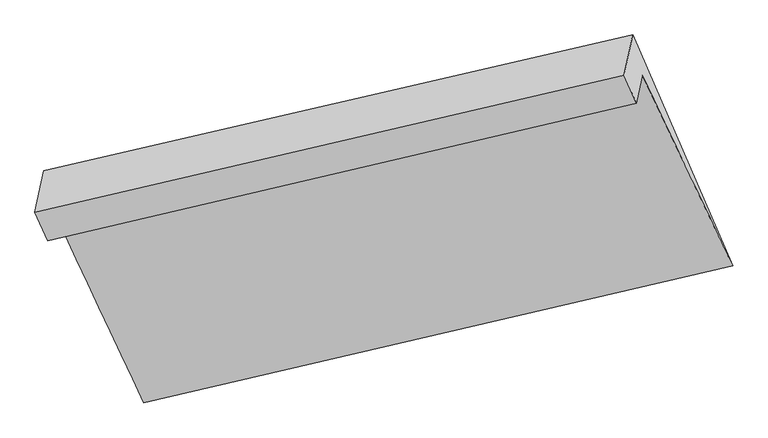
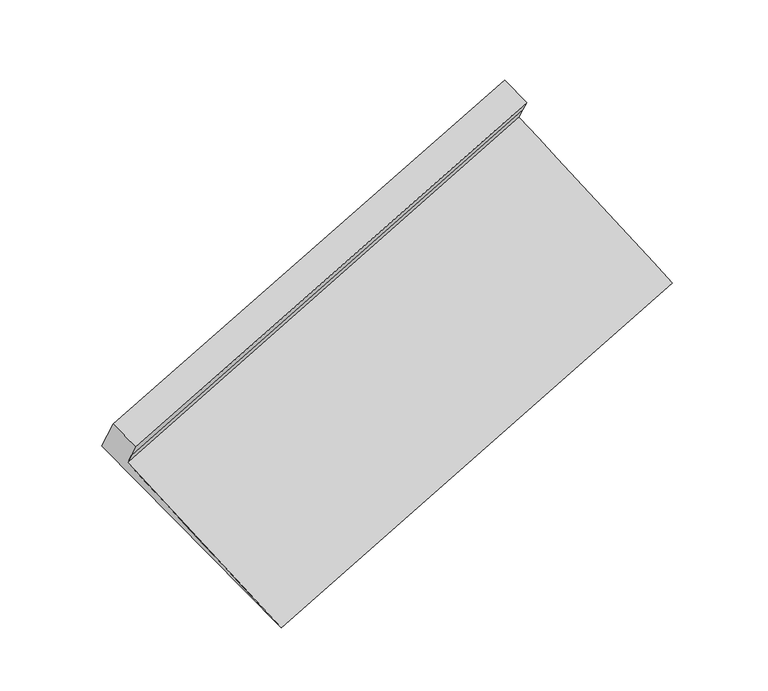
"""IFC4 building model written with IfcOpenShell, lengths in millimetres: proxy geometry."""

from ifc_helpers import new_model, si_unit, frame, origin, place, context, project, spatial, source, transform, mapped, element, save
from ifc_brep_helpers import plane_surface, spline_surface, advanced_brep


def generic_models_693bf481(model_context):
    return source(origin(), model_context, "Body", "AdvancedBrep", [
        advanced_brep(
        [(-5169.6754565, -1992.9332562, 1564.452964), (-5145.948212, -1882.4396082, 1409.4109082), (-752.2392925, -861.6932685, 2803.8141058), (-774.5628583, -965.650229, 2949.6840371), (-5122.2209675, -1771.9459601, 1254.3688524), (-729.9157267, -757.7363081, 2657.9441744), (-4450.52517, -3200.1595752, 183.6831859), (-56.5120048, -2178.1596502, 1576.2172247), (-5197.8964158, -1469.2234434, 1271.7073979), (-802.2243619, -456.1376564, 2665.5205877), (-5264.0215235, -1777.156561, 1703.7918157), (-866.4891725, -755.4076939, 3085.4491779)],
        [
            (0, 1),
            (1, 2),
            (2, 3),
            (3, 0),
            (1, 4),
            (4, 5),
            (5, 2),
            (4, 6),
            (6, 7),
            (7, 5),
            (6, 8),
            (8, 9),
            (9, 7),
            (8, 10),
            (10, 11),
            (11, 9),
            (10, 0),
            (3, 11),
        ],
        [
            plane_surface(frame((-5157.8118343, -1937.6864322, 1486.9319361), z_axis=(0.3448015272317637, -0.7885537069371983, -0.5092101315706973), x_axis=(0.1236702330062106, 0.5759107506353415, -0.8081042511773016))),
            plane_surface(frame((-5134.0845898, -1827.1927841, 1331.8898803), z_axis=(0.34480152723176327, -0.7885537069372004, -0.5092101315706944), x_axis=(0.12367023300621148, 0.5759107506353386, -0.8081042511773034))),
            spline_surface(1, 1, [[(-5122.2209675, -1771.9459601, 1254.3688524), (-729.9157267, -757.7363081, 2657.9441744)], [(-4450.52517, -3200.1595752, 183.6831859), (-56.5120048, -2178.1596502, 1576.2172247)]], [2, 2], [2, 2], [0.0, 1.0], [0.0, 1.0]),
            spline_surface(1, 1, [[(-4450.52517, -3200.1595752, 183.6831859), (-56.5120048, -2178.1596502, 1576.2172247)], [(-5197.8964158, -1469.2234434, 1271.7073979), (-802.2243619, -456.1376564, 2665.5205877)]], [2, 2], [2, 2], [0.0, 1.0], [0.0, 1.0]),
            plane_surface(frame((-5230.9589697, -1623.1900022, 1487.7496068), z_axis=(-0.34341800276040635, 0.7888734084736586, 0.5096497039959956), x_axis=(-0.12367023300621073, -0.5759107506353409, 0.8081042511773019))),
            plane_surface(frame((-5216.84849, -1885.0449086, 1634.1223898), z_axis=(-0.1205641449811821, -0.5751878433995975, 0.8090879011271128), x_axis=(0.3447880901707789, -0.7885568211692536, -0.5092144073608175))),
            plane_surface(frame((-645.9408249, -1022.6183075, 2586.9630404), z_axis=(0.9304981710592319, 0.21565005701387757, 0.29608817363301737), x_axis=(-0.12367023300621073, -0.5759107506353409, 0.8081042511773019))),
            plane_surface(frame((-5040.8679067, -2042.2837592, 1195.6008432), z_axis=(-0.9304981710592343, -0.21565005701387194, -0.2960881736330143), x_axis=(-0.34478809017077283, 0.7885568211692545, 0.5092144073608205))),
        ],
        [
            (0, [[1, 2, 3, 4]]),
            (1, [[5, 6, 7, -2]]),
            (2, [[8, 9, 10, -6]]),
            (3, [[11, 12, 13, -9]]),
            (4, [[14, 15, 16, -12]]),
            (5, [[17, -4, 18, -15]]),
            (6, [[-16, -18, -3, -7, -10, -13]]),
            (7, [[-17, -14, -11, -8, -5, -1]]),
        ],
    ),
    ])


if __name__ == "__main__":
    model = new_model("IFC4")
    model_context = context("Model", 3, world=origin())
    ifc_project = project(units=[si_unit("LENGTHUNIT", "METRE", prefix="MILLI")], contexts=[model_context])
    site = spatial("IfcSite", under=ifc_project)
    building = spatial("IfcBuilding", under=site)
    placement = place(None, origin())
    generic_models_shape = generic_models_693bf481(model_context)
    element("IfcBuildingElementProxy", 1, Name="Generic Models", at=placement, inside=building, context=model_context, shape_type="MappedRepresentation", body=[
        mapped(generic_models_shape, transform((0.0, 0.0, 0.0), x_axis=(1.0, 0.0, 0.0), y_axis=(0.0, 1.0, 0.0), z_axis=(0.0, 0.0, 1.0))),
    ])
    save(model, "model.ifc")
